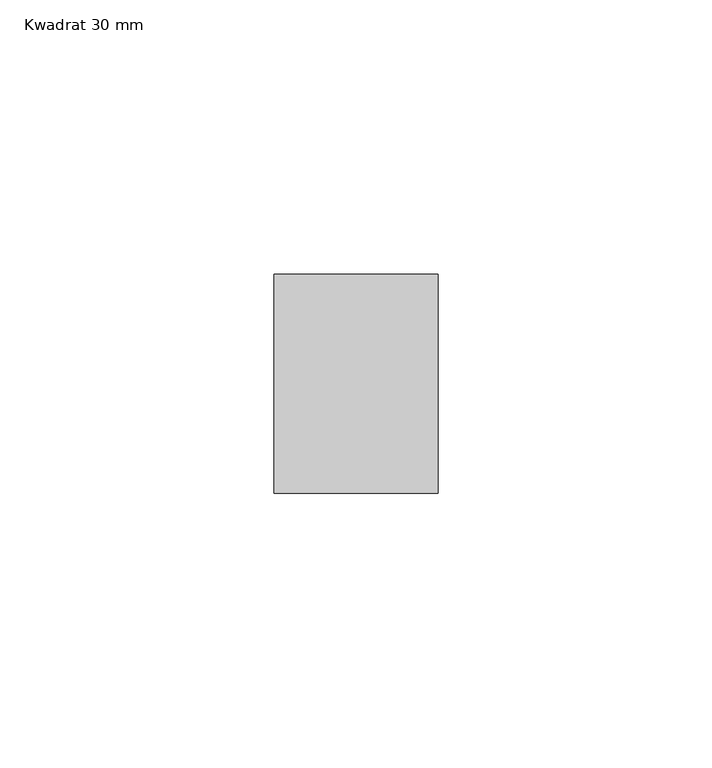
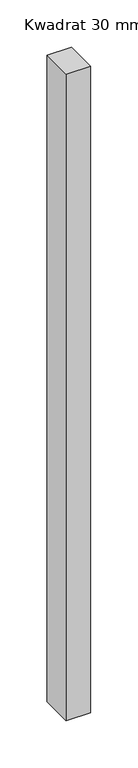
"""IFC4 building model written with IfcOpenShell, lengths in millimetres: member geometry, Kwadrat 30 mm."""

import ifcopenshell
import ifcopenshell.guid

model = None  # the IFC model being written
_history = None  # IfcOwnerHistory: only IFC2X3 demands one
_inside = {}  # id of a spatial element -> (the spatial element, [elements in it])
_under = {}  # id of a project, library or spatial element -> (it, [spatial elements below it])
_declared = {}  # id of a project -> (the project, [libraries it declares])
_typed = {}  # id of a type object -> (the type object, [elements of that type])
_made_of = {}  # id of a material, layer set ... -> (it, [elements and type objects made of it])


def new_model(schema):
    """Start an empty IFC model of exactly this schema.

    Asked for "IFC4X3", IfcOpenShell would pick the latest addendum, in which some entities
    have other attributes; the version numbers below select the first issue.
    IFC2X3 requires an IfcOwnerHistory on every rooted entity: one is made here for all.
    """
    global model, _history
    if schema == "IFC4X3":
        model = ifcopenshell.file(schema_version=(4, 3, 0, 0))
    else:
        model = ifcopenshell.file(schema=schema)
    _inside.clear()
    _under.clear()
    _declared.clear()
    _typed.clear()
    _made_of.clear()
    _history = None
    if model.schema == "IFC2X3":
        org = make("IfcOrganization", Name="unknown")
        user = make(
            "IfcPersonAndOrganization",
            ThePerson=make("IfcPerson", FamilyName="unknown"),
            TheOrganization=org,
        )
        app = make(
            "IfcApplication",
            ApplicationDeveloper=org,
            Version="unknown",
            ApplicationFullName="unknown",
            ApplicationIdentifier="unknown",
        )
        _history = make(
            "IfcOwnerHistory",
            OwningUser=user,
            OwningApplication=app,
            ChangeAction="ADDED",
            CreationDate=0,
        )
    return model


def make(cls, **values):
    """One entity of the class cls with the attributes given. An attribute that is None is left unset."""
    return model.create_entity(
        cls, **{name: value for name, value in values.items() if value is not None}
    )


def rooted(cls, **values):
    """An entity with a GlobalId (a new one), such as an element, a storey or a relation."""
    return make(cls, GlobalId=ifcopenshell.guid.new(), OwnerHistory=_history, **values)


def si_unit(unit_type, name, prefix=None):
    """IfcSIUnit, for example si_unit("LENGTHUNIT", "METRE", prefix="MILLI")."""
    return make("IfcSIUnit", UnitType=unit_type, Prefix=prefix, Name=name)


def assignment(units):
    """IfcUnitAssignment: the units of a project."""
    return None if units is None else make("IfcUnitAssignment", Units=units)


def point(xyz):
    """IfcCartesianPoint."""
    return None if xyz is None else make("IfcCartesianPoint", Coordinates=xyz)


def direction(xyz):
    """IfcDirection."""
    return None if xyz is None else make("IfcDirection", DirectionRatios=xyz)


def frame(location, z_axis=None, x_axis=None):
    """IfcAxis2Placement3D, a coordinate frame: its origin and axes. An axis left out is left unset."""
    return make(
        "IfcAxis2Placement3D",
        Location=point(location),
        Axis=direction(z_axis),
        RefDirection=direction(x_axis),
    )


def origin():
    """The frame at (0, 0, 0) with its axes left unset."""
    return frame((0.0, 0.0, 0.0))


def place(relative_to, where):
    """IfcLocalPlacement: puts the frame where relative to a parent placement (None: the world)."""
    return make(
        "IfcLocalPlacement", PlacementRelTo=relative_to, RelativePlacement=where
    )


def context(
    kind, dimensions, precision=None, world=None, true_north=None, identifier=None
):
    """IfcGeometricRepresentationContext, for example the 3D "Model" context."""
    return make(
        "IfcGeometricRepresentationContext",
        ContextIdentifier=identifier,
        ContextType=kind,
        CoordinateSpaceDimension=dimensions,
        Precision=precision,
        WorldCoordinateSystem=world,
        TrueNorth=true_north,
    )


def project(units=None, contexts=None):
    """IfcProject with its units and contexts."""
    return rooted(
        "IfcProject",
        Name="project",
        RepresentationContexts=contexts,
        UnitsInContext=assignment(units),
    )


def spatial(cls, under=None, at=None, **own):
    """A site, building, storey or space (cls), placed at a placement, below another one or the project."""
    s = rooted(cls, ObjectPlacement=at, **own)
    if under is not None:
        _under.setdefault(under.id(), (under, []))[1].append(s)
    return s


def polyline(points):
    """IfcPolyline through the points."""
    return make("IfcPolyline", Points=[point(p) for p in points])


def outline(outer, holes=None, kind="AREA"):
    """IfcArbitraryClosedProfileDef: a profile drawn as a closed curve; with holes, ...WithVoids."""
    if holes is None:
        return make("IfcArbitraryClosedProfileDef", ProfileType=kind, OuterCurve=outer)
    return make(
        "IfcArbitraryProfileDefWithVoids",
        ProfileType=kind,
        OuterCurve=outer,
        InnerCurves=holes,
    )


def extrude(swept, where, along, depth):
    """IfcExtrudedAreaSolid: the profile swept, set in the frame where, extruded along a direction by depth."""
    return make(
        "IfcExtrudedAreaSolid",
        SweptArea=swept,
        Position=where,
        ExtrudedDirection=direction(along),
        Depth=depth,
    )


def shape(context_of_items, identifier, shape_type, items):
    """IfcShapeRepresentation: the items that make up one representation, for example the "Body"."""
    return make(
        "IfcShapeRepresentation",
        ContextOfItems=context_of_items,
        RepresentationIdentifier=identifier,
        RepresentationType=shape_type,
        Items=items,
    )


def source(mapping_origin, context_of_items, identifier, shape_type, items):
    """IfcRepresentationMap: a shape defined once, which mapped items show again and again."""
    return make(
        "IfcRepresentationMap",
        MappingOrigin=mapping_origin,
        MappedRepresentation=shape(context_of_items, identifier, shape_type, items),
    )


def transform(
    local_origin,
    x_axis=None,
    y_axis=None,
    z_axis=None,
    scale=None,
    scale2=None,
    scale3=None,
    uniform=True,
):
    """IfcCartesianTransformationOperator3D, or its non-uniform kind. x_axis, y_axis, z_axis: its Axis1, 2, 3."""
    if uniform:
        return make(
            "IfcCartesianTransformationOperator3D",
            Axis1=direction(x_axis),
            Axis2=direction(y_axis),
            LocalOrigin=point(local_origin),
            Scale=scale,
            Axis3=direction(z_axis),
        )
    return make(
        "IfcCartesianTransformationOperator3DnonUniform",
        Axis1=direction(x_axis),
        Axis2=direction(y_axis),
        LocalOrigin=point(local_origin),
        Scale=scale,
        Axis3=direction(z_axis),
        Scale2=scale2,
        Scale3=scale3,
    )


def mapped(mapping_source, mapping_target):
    """IfcMappedItem: shows the shape of a source again, moved by a transform."""
    return make(
        "IfcMappedItem", MappingSource=mapping_source, MappingTarget=mapping_target
    )


def made_of(thing, what):
    """Note that an element or type object is made of a material, layer set ...; save() writes the relation."""
    if what is not None:
        _made_of.setdefault(what.id(), (what, []))[1].append(thing)
    return thing


def element(
    cls,
    number,
    at=None,
    inside=None,
    cuts=None,
    type_object=None,
    material=None,
    context=None,
    identifier="Body",
    shape_type=None,
    held_by="IfcProductDefinitionShape",
    body=None,
    shapes=None,
    **own,
):
    """One element of the class cls, such as IfcWall. Its Tag is "e" and its number.

    at: its placement. inside: the storey or other place that contains it. cuts: it is an
    opening in that element (IfcRelVoidsElement). A single representation is given by context,
    identifier, shape_type and body (its items); several are given by shapes. held_by: the class
    of the entity that holds the representations. save() writes the other relations.
    """
    e = rooted(cls, Tag="e%d" % number, ObjectPlacement=at, **own)
    if body is not None:
        shapes = [shape(context, identifier, shape_type, body)]
    if shapes is not None:
        e.Representation = make(held_by, Representations=shapes)
    if inside is not None:
        _inside.setdefault(inside.id(), (inside, []))[1].append(e)
    if cuts is not None:
        rooted(
            "IfcRelVoidsElement", RelatingBuildingElement=cuts, RelatedOpeningElement=e
        )
    if type_object is not None:
        _typed.setdefault(type_object.id(), (type_object, []))[1].append(e)
    return made_of(e, material)


def aggregate(whole, parts):
    """IfcRelAggregates: a whole, such as a stair, and the parts it consists of."""
    return rooted("IfcRelAggregates", RelatingObject=whole, RelatedObjects=parts)


def save(model, path):
    """Write the relations noted so far, then the file.

    IfcRelAggregates (storeys below a building ...), IfcRelContainedInSpatialStructure (elements
    in a storey), IfcRelDefinesByType, IfcRelAssociatesMaterial and IfcRelDeclares: one each for
    every whole, place, type object, material and project.
    """
    for whole, parts in _under.values():
        aggregate(whole, parts)
    for where, things in _inside.values():
        rooted(
            "IfcRelContainedInSpatialStructure",
            RelatedElements=things,
            RelatingStructure=where,
        )
    for kind, things in _typed.values():
        rooted("IfcRelDefinesByType", RelatedObjects=things, RelatingType=kind)
    for what, things in _made_of.values():
        rooted("IfcRelAssociatesMaterial", RelatedObjects=things, RelatingMaterial=what)
    for by, libraries in _declared.values():
        rooted("IfcRelDeclares", RelatingContext=by, RelatedDefinitions=libraries)
    model.write(path)


def kwadrat_30_mm_705c6e19(model_context):
    return source(origin(), model_context, "Body", "SweptSolid", [
        extrude(outline(polyline([(15.0, 20.0), (15.0, -20.0), (-15.0, -20.0), (-15.0, 20.0), (15.0, 20.0)])), frame((0.0, 0.0, -833.3333333), z_axis=(0.0, 0.0, 1.0), x_axis=(1.0, 0.0, 0.0)), (0.0, 0.0, 1.0), 833.3333333),
    ])


if __name__ == "__main__":
    model = new_model("IFC4")
    model_context = context("Model", 3, world=origin())
    ifc_project = project(units=[si_unit("LENGTHUNIT", "METRE", prefix="MILLI")], contexts=[model_context])
    site = spatial("IfcSite", under=ifc_project)
    building = spatial("IfcBuilding", under=site)
    placement = place(None, origin())
    kwadrat_30_mm_shape = kwadrat_30_mm_705c6e19(model_context)
    element("IfcMember", 1, ObjectType="Kwadrat 30 mm", at=placement, inside=building, context=model_context, shape_type="MappedRepresentation", body=[
        mapped(kwadrat_30_mm_shape, transform((0.0, 0.0, 0.0), x_axis=(1.0, 0.0, 0.0), y_axis=(0.0, 1.0, 0.0), z_axis=(0.0, 0.0, 1.0))),
    ])
    save(model, "model.ifc")
